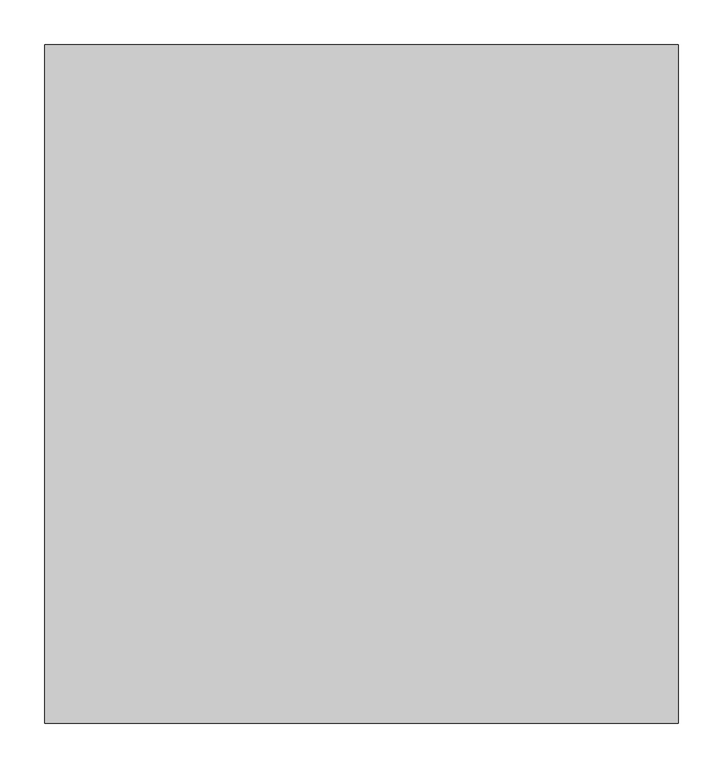
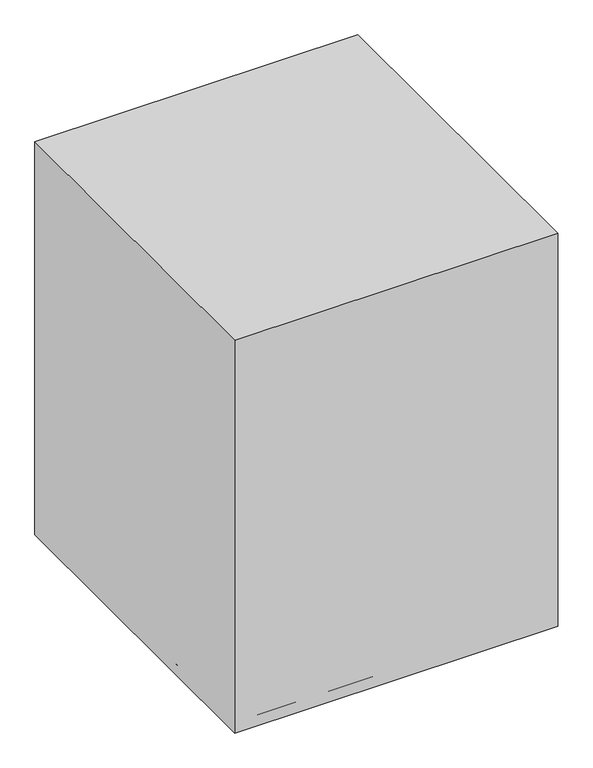
"""IFC4 building model written with IfcOpenShell, lengths in millimetres: proxy geometry."""

from ifc_helpers import new_model, si_unit, point, frame, frame_2d, origin, origin_with_axes, place, context, project, spatial, polyline, circle_curve, trimmed, segment, composite_curve, outline, extrude, source, transform, mapped, element, save


def specialty_equipment_7c1f74e5(model_context):
    return source(origin(), model_context, "Body", "SweptSolid", [
        extrude(outline(polyline([(355.6, 381.0), (355.6, -381.0), (-355.6, -381.0), (-355.6, 381.0), (355.6, 381.0)])), origin_with_axes(), (0.0, 0.0, 1.0), 914.4),
        extrude(outline(composite_curve([segment(polyline([(914.4, 330.2), (914.4, -98.6792066)]), True, "CONTINUOUS"), segment(trimmed(circle_curve(frame_2d((889.0, -98.6792066)), 25.4), [point((914.4, -98.6792066))], [point((889.0, -124.0792066))], False, "CARTESIAN"), True, "CONTINUOUS"), segment(polyline([(889.0, -124.0792066), (812.8, -124.0792066)]), True, "CONTINUOUS"), segment(trimmed(circle_curve(frame_2d((812.8, -98.6792066)), 25.4), [point((812.8, -124.0792066))], [point((787.4, -98.6792066))], False, "CARTESIAN"), True, "CONTINUOUS"), segment(polyline([(787.4, -98.6792066), (787.4, 330.2)]), True, "CONTINUOUS"), segment(trimmed(circle_curve(frame_2d((812.8, 330.2)), 25.4), [point((787.4, 330.2))], [point((812.8, 355.6))], False, "CARTESIAN"), True, "CONTINUOUS"), segment(polyline([(812.8, 355.6), (889.0, 355.6)]), True, "CONTINUOUS"), segment(trimmed(circle_curve(frame_2d((889.0, 330.2)), 25.4), [point((889.0, 355.6))], [point((914.4, 330.2))], False, "CARTESIAN"), True, "CONTINUOUS")], self_intersect=False)), frame((0.0, 11.1125, 0.0), z_axis=(0.0, 1.0, 0.0), x_axis=(0.0, 0.0, 1.0)), (0.0, 0.0, 1.0), 25.4),
        extrude(outline(polyline([(11.1125, 11.1125), (11.1125, -11.1125), (-11.1125, -11.1125), (-11.1125, 11.1125), (11.1125, 11.1125)])), frame((0.0, 0.0, 443.7853557), z_axis=(0.0, 0.0, 1.0), x_axis=(1.0, 0.0, 0.0)), (0.0, 0.0, 1.0), 407.1146443),
        extrude(outline(polyline([(15.875, -12.7), (12.7, -12.7), (12.7, 12.7), (15.875, 12.7), (15.875, -12.7)])), origin_with_axes(), (0.0, 0.0, 1.0), 50.8),
        extrude(outline(polyline([(-12.7, -12.7), (-15.875, -12.7), (-15.875, 12.7), (-12.7, 12.7), (-12.7, -12.7)])), origin_with_axes(), (0.0, 0.0, 1.0), 50.8),
        extrude(outline(polyline([(12.7, 12.7), (12.7, -12.7), (-12.7, -12.7), (-12.7, 12.7), (12.7, 12.7)])), frame((0.0, 0.0, 36.3607067), z_axis=(0.0, 0.0, 1.0), x_axis=(1.0, 0.0, 0.0)), (0.0, 0.0, 1.0), 407.424649),
        extrude(outline(composite_curve([segment(trimmed(circle_curve(frame_2d((304.8, 330.2)), 50.8), [point((304.8, 381.0))], [point((355.6, 330.2))], False, "CARTESIAN"), True, "CONTINUOUS"), segment(polyline([(355.6, 330.2), (355.6, -330.2)]), True, "CONTINUOUS"), segment(trimmed(circle_curve(frame_2d((304.8, -330.2)), 50.8), [point((355.6, -330.2))], [point((304.8, -381.0))], False, "CARTESIAN"), True, "CONTINUOUS"), segment(polyline([(304.8, -381.0), (-304.8, -381.0)]), True, "CONTINUOUS"), segment(trimmed(circle_curve(frame_2d((-304.8, -330.2)), 50.8), [point((-304.8, -381.0))], [point((-355.6, -330.2))], False, "CARTESIAN"), True, "CONTINUOUS"), segment(polyline([(-355.6, -330.2), (-355.6, 330.2)]), True, "CONTINUOUS"), segment(trimmed(circle_curve(frame_2d((-304.8, 330.2)), 50.8), [point((-355.6, 330.2))], [point((-304.8, 381.0))], False, "CARTESIAN"), True, "CONTINUOUS"), segment(polyline([(-304.8, 381.0), (304.8, 381.0)]), True, "CONTINUOUS")], self_intersect=False), holes=[composite_curve([segment(trimmed(circle_curve(frame_2d((304.8, -330.2)), 25.4), [point((304.8, -355.6))], [point((330.2, -330.2))], True, "CARTESIAN"), True, "CONTINUOUS"), segment(polyline([(330.2, -330.2), (330.2, 330.2)]), True, "CONTINUOUS"), segment(trimmed(circle_curve(frame_2d((304.8, 330.2)), 25.4), [point((330.2, 330.2))], [point((304.8, 355.6))], True, "CARTESIAN"), True, "CONTINUOUS"), segment(polyline([(304.8, 355.6), (12.7, 355.6), (12.7, -355.6), (304.8, -355.6)]), True, "CONTINUOUS")], self_intersect=False), composite_curve([segment(trimmed(circle_curve(frame_2d((-304.8, 330.2)), 25.4), [point((-304.8, 355.6))], [point((-330.2, 330.2))], True, "CARTESIAN"), True, "CONTINUOUS"), segment(polyline([(-330.2, 330.2), (-330.2, -330.2)]), True, "CONTINUOUS"), segment(trimmed(circle_curve(frame_2d((-304.8, -330.2)), 25.4), [point((-330.2, -330.2))], [point((-304.8, -355.6))], True, "CARTESIAN"), True, "CONTINUOUS"), segment(polyline([(-304.8, -355.6), (-12.7, -355.6), (-12.7, 355.6), (-304.8, 355.6)]), True, "CONTINUOUS")], self_intersect=False)]), origin_with_axes(), (0.0, 0.0, 1.0), 25.4),
    ])


if __name__ == "__main__":
    model = new_model("IFC4")
    model_context = context("Model", 3, world=origin())
    ifc_project = project(units=[si_unit("LENGTHUNIT", "METRE", prefix="MILLI")], contexts=[model_context])
    site = spatial("IfcSite", under=ifc_project)
    building = spatial("IfcBuilding", under=site)
    placement = place(None, origin())
    specialty_equipment_shape = specialty_equipment_7c1f74e5(model_context)
    element("IfcBuildingElementProxy", 1, Name="Specialty Equipment", at=placement, inside=building, context=model_context, shape_type="MappedRepresentation", body=[
        mapped(specialty_equipment_shape, transform((0.0, 0.0, 0.0), x_axis=(1.0, 0.0, 0.0), y_axis=(0.0, 1.0, 0.0), z_axis=(0.0, 0.0, 1.0))),
    ])
    save(model, "model.ifc")
